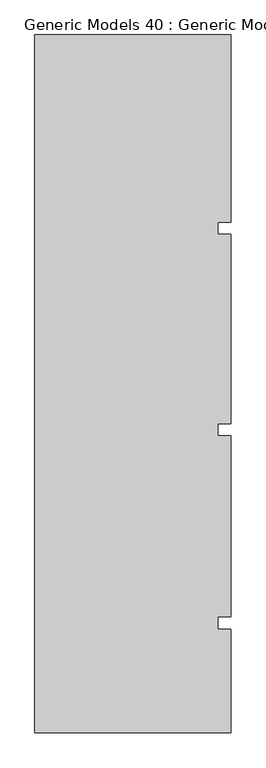
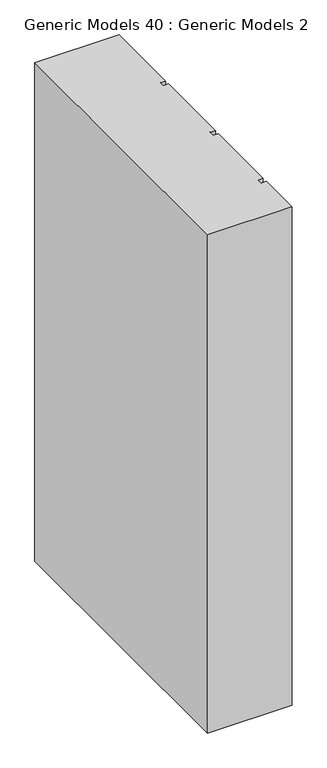
"""IFC4 building model written with IfcOpenShell, lengths in millimetres: proxy geometry, Generic Models 40 : Generic Models 2."""

import ifcopenshell
import ifcopenshell.guid

model = None  # the IFC model being written
_history = None  # IfcOwnerHistory: only IFC2X3 demands one
_inside = {}  # id of a spatial element -> (the spatial element, [elements in it])
_under = {}  # id of a project, library or spatial element -> (it, [spatial elements below it])
_declared = {}  # id of a project -> (the project, [libraries it declares])
_typed = {}  # id of a type object -> (the type object, [elements of that type])
_made_of = {}  # id of a material, layer set ... -> (it, [elements and type objects made of it])


def new_model(schema):
    """Start an empty IFC model of exactly this schema.

    Asked for "IFC4X3", IfcOpenShell would pick the latest addendum, in which some entities
    have other attributes; the version numbers below select the first issue.
    IFC2X3 requires an IfcOwnerHistory on every rooted entity: one is made here for all.
    """
    global model, _history
    if schema == "IFC4X3":
        model = ifcopenshell.file(schema_version=(4, 3, 0, 0))
    else:
        model = ifcopenshell.file(schema=schema)
    _inside.clear()
    _under.clear()
    _declared.clear()
    _typed.clear()
    _made_of.clear()
    _history = None
    if model.schema == "IFC2X3":
        org = make("IfcOrganization", Name="unknown")
        user = make(
            "IfcPersonAndOrganization",
            ThePerson=make("IfcPerson", FamilyName="unknown"),
            TheOrganization=org,
        )
        app = make(
            "IfcApplication",
            ApplicationDeveloper=org,
            Version="unknown",
            ApplicationFullName="unknown",
            ApplicationIdentifier="unknown",
        )
        _history = make(
            "IfcOwnerHistory",
            OwningUser=user,
            OwningApplication=app,
            ChangeAction="ADDED",
            CreationDate=0,
        )
    return model


def make(cls, **values):
    """One entity of the class cls with the attributes given. An attribute that is None is left unset."""
    return model.create_entity(
        cls, **{name: value for name, value in values.items() if value is not None}
    )


def rooted(cls, **values):
    """An entity with a GlobalId (a new one), such as an element, a storey or a relation."""
    return make(cls, GlobalId=ifcopenshell.guid.new(), OwnerHistory=_history, **values)


def si_unit(unit_type, name, prefix=None):
    """IfcSIUnit, for example si_unit("LENGTHUNIT", "METRE", prefix="MILLI")."""
    return make("IfcSIUnit", UnitType=unit_type, Prefix=prefix, Name=name)


def assignment(units):
    """IfcUnitAssignment: the units of a project."""
    return None if units is None else make("IfcUnitAssignment", Units=units)


def point(xyz):
    """IfcCartesianPoint."""
    return None if xyz is None else make("IfcCartesianPoint", Coordinates=xyz)


def direction(xyz):
    """IfcDirection."""
    return None if xyz is None else make("IfcDirection", DirectionRatios=xyz)


def frame(location, z_axis=None, x_axis=None):
    """IfcAxis2Placement3D, a coordinate frame: its origin and axes. An axis left out is left unset."""
    return make(
        "IfcAxis2Placement3D",
        Location=point(location),
        Axis=direction(z_axis),
        RefDirection=direction(x_axis),
    )


def origin():
    """The frame at (0, 0, 0) with its axes left unset."""
    return frame((0.0, 0.0, 0.0))


def place(relative_to, where):
    """IfcLocalPlacement: puts the frame where relative to a parent placement (None: the world)."""
    return make(
        "IfcLocalPlacement", PlacementRelTo=relative_to, RelativePlacement=where
    )


def context(
    kind, dimensions, precision=None, world=None, true_north=None, identifier=None
):
    """IfcGeometricRepresentationContext, for example the 3D "Model" context."""
    return make(
        "IfcGeometricRepresentationContext",
        ContextIdentifier=identifier,
        ContextType=kind,
        CoordinateSpaceDimension=dimensions,
        Precision=precision,
        WorldCoordinateSystem=world,
        TrueNorth=true_north,
    )


def project(units=None, contexts=None):
    """IfcProject with its units and contexts."""
    return rooted(
        "IfcProject",
        Name="project",
        RepresentationContexts=contexts,
        UnitsInContext=assignment(units),
    )


def spatial(cls, under=None, at=None, **own):
    """A site, building, storey or space (cls), placed at a placement, below another one or the project."""
    s = rooted(cls, ObjectPlacement=at, **own)
    if under is not None:
        _under.setdefault(under.id(), (under, []))[1].append(s)
    return s


def polyline(points):
    """IfcPolyline through the points."""
    return make("IfcPolyline", Points=[point(p) for p in points])


def outline(outer, holes=None, kind="AREA"):
    """IfcArbitraryClosedProfileDef: a profile drawn as a closed curve; with holes, ...WithVoids."""
    if holes is None:
        return make("IfcArbitraryClosedProfileDef", ProfileType=kind, OuterCurve=outer)
    return make(
        "IfcArbitraryProfileDefWithVoids",
        ProfileType=kind,
        OuterCurve=outer,
        InnerCurves=holes,
    )


def extrude(swept, where, along, depth):
    """IfcExtrudedAreaSolid: the profile swept, set in the frame where, extruded along a direction by depth."""
    return make(
        "IfcExtrudedAreaSolid",
        SweptArea=swept,
        Position=where,
        ExtrudedDirection=direction(along),
        Depth=depth,
    )


def shape(context_of_items, identifier, shape_type, items):
    """IfcShapeRepresentation: the items that make up one representation, for example the "Body"."""
    return make(
        "IfcShapeRepresentation",
        ContextOfItems=context_of_items,
        RepresentationIdentifier=identifier,
        RepresentationType=shape_type,
        Items=items,
    )


def source(mapping_origin, context_of_items, identifier, shape_type, items):
    """IfcRepresentationMap: a shape defined once, which mapped items show again and again."""
    return make(
        "IfcRepresentationMap",
        MappingOrigin=mapping_origin,
        MappedRepresentation=shape(context_of_items, identifier, shape_type, items),
    )


def transform(
    local_origin,
    x_axis=None,
    y_axis=None,
    z_axis=None,
    scale=None,
    scale2=None,
    scale3=None,
    uniform=True,
):
    """IfcCartesianTransformationOperator3D, or its non-uniform kind. x_axis, y_axis, z_axis: its Axis1, 2, 3."""
    if uniform:
        return make(
            "IfcCartesianTransformationOperator3D",
            Axis1=direction(x_axis),
            Axis2=direction(y_axis),
            LocalOrigin=point(local_origin),
            Scale=scale,
            Axis3=direction(z_axis),
        )
    return make(
        "IfcCartesianTransformationOperator3DnonUniform",
        Axis1=direction(x_axis),
        Axis2=direction(y_axis),
        LocalOrigin=point(local_origin),
        Scale=scale,
        Axis3=direction(z_axis),
        Scale2=scale2,
        Scale3=scale3,
    )


def mapped(mapping_source, mapping_target):
    """IfcMappedItem: shows the shape of a source again, moved by a transform."""
    return make(
        "IfcMappedItem", MappingSource=mapping_source, MappingTarget=mapping_target
    )


def made_of(thing, what):
    """Note that an element or type object is made of a material, layer set ...; save() writes the relation."""
    if what is not None:
        _made_of.setdefault(what.id(), (what, []))[1].append(thing)
    return thing


def element(
    cls,
    number,
    at=None,
    inside=None,
    cuts=None,
    type_object=None,
    material=None,
    context=None,
    identifier="Body",
    shape_type=None,
    held_by="IfcProductDefinitionShape",
    body=None,
    shapes=None,
    **own,
):
    """One element of the class cls, such as IfcWall. Its Tag is "e" and its number.

    at: its placement. inside: the storey or other place that contains it. cuts: it is an
    opening in that element (IfcRelVoidsElement). A single representation is given by context,
    identifier, shape_type and body (its items); several are given by shapes. held_by: the class
    of the entity that holds the representations. save() writes the other relations.
    """
    e = rooted(cls, Tag="e%d" % number, ObjectPlacement=at, **own)
    if body is not None:
        shapes = [shape(context, identifier, shape_type, body)]
    if shapes is not None:
        e.Representation = make(held_by, Representations=shapes)
    if inside is not None:
        _inside.setdefault(inside.id(), (inside, []))[1].append(e)
    if cuts is not None:
        rooted(
            "IfcRelVoidsElement", RelatingBuildingElement=cuts, RelatedOpeningElement=e
        )
    if type_object is not None:
        _typed.setdefault(type_object.id(), (type_object, []))[1].append(e)
    return made_of(e, material)


def aggregate(whole, parts):
    """IfcRelAggregates: a whole, such as a stair, and the parts it consists of."""
    return rooted("IfcRelAggregates", RelatingObject=whole, RelatedObjects=parts)


def save(model, path):
    """Write the relations noted so far, then the file.

    IfcRelAggregates (storeys below a building ...), IfcRelContainedInSpatialStructure (elements
    in a storey), IfcRelDefinesByType, IfcRelAssociatesMaterial and IfcRelDeclares: one each for
    every whole, place, type object, material and project.
    """
    for whole, parts in _under.values():
        aggregate(whole, parts)
    for where, things in _inside.values():
        rooted(
            "IfcRelContainedInSpatialStructure",
            RelatedElements=things,
            RelatingStructure=where,
        )
    for kind, things in _typed.values():
        rooted("IfcRelDefinesByType", RelatedObjects=things, RelatingType=kind)
    for what, things in _made_of.values():
        rooted("IfcRelAssociatesMaterial", RelatedObjects=things, RelatingMaterial=what)
    for by, libraries in _declared.values():
        rooted("IfcRelDeclares", RelatingContext=by, RelatedDefinitions=libraries)
    model.write(path)


def generic_models_40_generic_models_2_3f5af7f6(model_context):
    return source(origin(), model_context, "Body", "SweptSolid", [
        extrude(outline(polyline([(6158.9891931, -239.4418036), (6646.0314083, -239.4418036), (6646.0314083, -703.851216), (6614.3889077, -703.851216), (6614.3889077, -733.8846489), (6646.0314083, -733.8846489), (6646.0314083, -1203.851216), (6614.3889077, -1203.851216), (6614.3889077, -1233.8846489), (6646.0314083, -1233.8846489), (6646.0314083, -1683.851216), (6614.3889077, -1683.851216), (6614.3889077, -1713.8846489), (6646.0314083, -1713.8846489), (6646.0314083, -1971.439837), (6158.9891931, -1971.439837), (6158.9891931, -239.4418036)])), frame((0.0, 0.0, 15000.0), z_axis=(0.0, 0.0, 1.0), x_axis=(1.0, 0.0, 0.0)), (0.0, 0.0, 1.0), 3044.7067261),
    ])


if __name__ == "__main__":
    model = new_model("IFC4")
    model_context = context("Model", 3, world=origin())
    ifc_project = project(units=[si_unit("LENGTHUNIT", "METRE", prefix="MILLI")], contexts=[model_context])
    site = spatial("IfcSite", under=ifc_project)
    building = spatial("IfcBuilding", under=site)
    placement = place(None, origin())
    generic_models_40_generic_models_2_shape = generic_models_40_generic_models_2_3f5af7f6(model_context)
    element("IfcBuildingElementProxy", 1, Name="Generic Models 40 : Generic Models 2", ObjectType="Generic Models 40 : Generic Models 2", at=placement, inside=building, context=model_context, shape_type="MappedRepresentation", body=[
        mapped(generic_models_40_generic_models_2_shape, transform((0.0, 0.0, 0.0), x_axis=(1.0, 0.0, 0.0), y_axis=(0.0, 1.0, 0.0), z_axis=(0.0, 0.0, 1.0))),
    ])
    save(model, "model.ifc")
